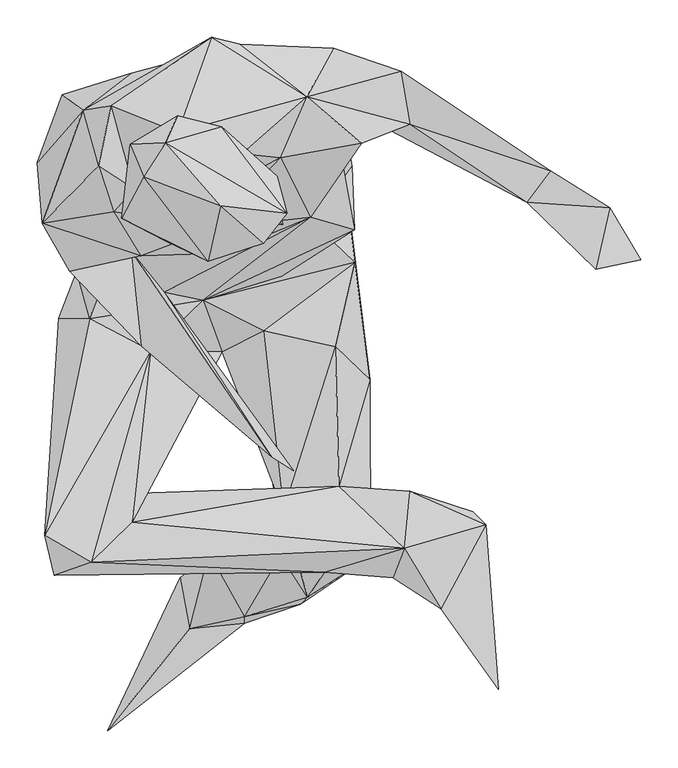
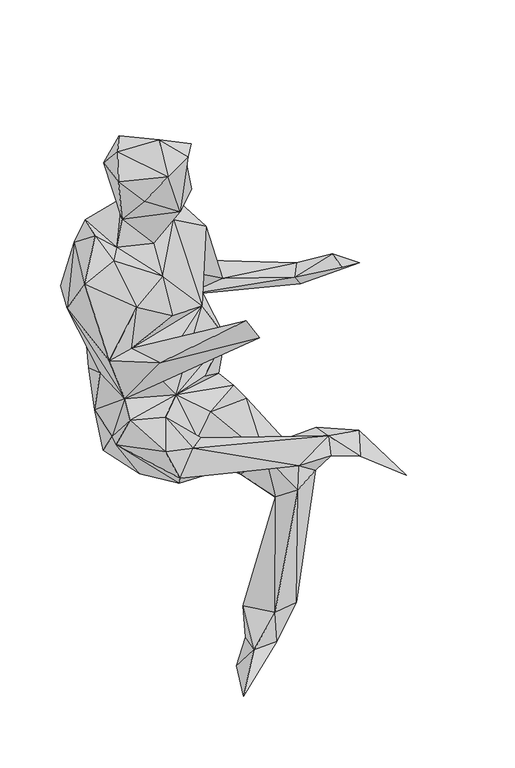
"""IFC4 building model written with IfcOpenShell, lengths in millimetres: geographic element geometry."""

from ifc_helpers import new_model, si_unit, origin, place, context, project, spatial, faceted_brep, source, transform, mapped, element, save


def geographic_element_00dcf8ce(model_context):
    return source(origin(), model_context, "Body", "Brep", [
        faceted_brep([(107.4291007, 174.1238662, 649.8761693), (-95.8643395, 165.6161675, 702.6275906), (55.5352748, 210.579348, 1032.9413286), (-91.2642617, 171.7062422, 988.9267561), (-218.1153867, 50.85013, 900.5184062), (-150.5520474, -6.1991605, 705.0902756), (-184.045536, 142.337544, 905.5207856), (-106.4994844, 131.2310828, 622.3106903), (-156.1107765, 121.2103501, 1048.2176413), (-174.1929182, -95.4900894, 804.7771354), (-116.9605017, -78.0243715, 653.4846344), (-210.9365735, -30.8186836, 1024.582731), (-141.7871696, 38.0755546, 556.0952356), (23.1135131, 115.4284761, 493.9715205), (-154.0744137, -29.4927951, 471.2623002), (-165.0497744, -96.1125109, 559.9878361), (26.3516862, -134.5923377, 477.0191551), (199.7280543, -1.7111485, 462.276304), (192.1799755, 68.3798931, 550.1312545), (-125.3791585, -172.0664927, 472.6172031), (-147.2788584, -159.1588239, 642.7684347), (-189.2690337, -158.5544179, 579.0606666), (-82.9586823, -393.9544212, 626.0481995), (-173.9017197, -462.9507306, 634.5178406), (-207.9595749, -451.0227088, 739.9876622), (-194.8497867, -504.8298177, 683.0194508), (113.9524788, -417.7083619, 591.1017583), (168.9954379, -500.450903, 593.4232996), (-145.5336791, -487.4311625, 752.6251581), (-65.2968279, -202.4638926, 650.5796233), (276.9979204, -468.5064496, 632.9078), (-89.7992689, -433.5640019, 733.3462148), (230.9900345, -480.1112652, 544.9657373), (261.7236641, -507.9408821, 597.6831243), (146.4502942, -534.4927245, 545.2609591), (326.3450225, -549.9801568, 598.3505771), (267.2693696, -429.0379531, 565.9928848), (369.2358389, -419.4165118, 534.7799593), (284.4038869, -391.5187668, 611.4563866), (189.059881, -384.8523152, 601.3686583), (403.8540671, -658.5690298, 576.2597847), (387.1868801, -436.7621487, 593.1121038), (184.0655334, -196.9531899, 620.4924507), (230.8899732, -241.4530635, 535.5284148), (31.0248226, -203.7977849, 550.7897071), (93.9750734, -322.9107519, 484.7303271), (5.9419884, -134.3771948, 656.3104906), (86.9483564, -175.3196844, 598.6137912), (181.4688124, -254.1395692, 436.0366708), (110.3820862, -478.294009, 501.9299326), (146.8275469, -416.5065535, 447.4563245), (210.3311692, -83.1378018, 584.3431877), (204.8815016, -443.7108283, 440.3165524), (181.5088369, -55.2460768, 615.804307), (136.8518455, -543.4297256, 192.7713877), (61.7664598, -560.4611566, 197.2674107), (62.2948102, -501.4395652, 67.1190462), (61.6403736, -569.333129, 108.8260473), (13.4970581, -474.1692782, 183.4981568), (-12.264232, -576.8741894, 113.2219941), (21.7906253, -472.1108915, 77.6831424), (-25.1939089, -508.2601246, 24.3993771), (-123.1986865, -714.258364, 84.9920426), (50.4748778, -498.3885227, 0.597401), (209.759799, -39.0682216, 714.4284756), (150.3649186, -22.6021686, 824.6765035), (111.3397316, -102.2976624, 658.9232602), (-46.6673219, -123.2417136, 730.5403261), (206.3905273, 46.2200189, 699.1993102), (190.6249351, 129.7260656, 753.2365825), (163.9360318, -14.1985303, 743.4959916), (181.1785974, 205.2147363, 958.9295865), (253.3740668, 175.934089, 723.107329), (145.9029299, 139.5266486, 1087.0755777), (272.312757, 174.1849013, 807.7161212), (16.8342979, 219.9856612, 1044.8272099), (-117.9331601, 127.5205894, 1103.5827262), (-28.4310818, 91.9086847, 1162.4291992), (-135.0986792, 46.4641856, 1106.9760186), (-87.5637669, 15.4913979, 1072.8611814), (-114.9321408, -15.4743873, 1056.5961469), (-78.4656619, -74.7591769, 930.3354506), (21.9567378, -36.978818, 972.1274852), (23.9370667, 13.2098671, 1046.8256344), (-66.4836235, 24.1051798, 1149.9267674), (109.8707454, 57.2464236, 1066.0755503), (32.6289009, -71.168772, 861.8434561), (-90.6248305, -68.9963094, 800.0979921), (186.0248572, 91.2802655, 850.1145735), (219.088045, 77.2608584, 994.2532655), (97.8837001, -344.9805336, 989.2099377), (-77.5080165, -196.5959495, 826.5317576), (127.5676324, -364.345546, 936.0682849), (58.0959909, 62.9062198, 1125.1221756), (284.500953, 102.5648477, 788.7594006), (473.9841164, 40.3881068, 810.4499478), (466.2909748, 6.7465281, 765.8319975), (442.2788565, -2.6607858, 800.6734153), (595.4806731, -79.9446543, 840.9634725), (554.2059472, -9.7065148, 841.5848509), (534.7089105, -92.8953502, 854.9538745), (-92.8923476, 75.3615787, 1309.6870022), (-28.7512966, 113.8214008, 1261.8549906), (-104.2819904, -24.0091157, 1312.45683), (-74.5250201, 32.1515795, 1363.4680341), (-44.7130086, 77.6251023, 1376.6540119), (30.5655166, 99.1905766, 1243.2764615), (80.0006976, -28.0228086, 1154.422865), (105.3947421, 32.6809358, 1299.4291622), (119.1159472, -17.2245612, 1352.0945143), (29.0775146, -7.0647415, 1390.5973263), (12.6244732, -81.5877606, 1322.921975), (87.1294801, -57.4555651, 1345.8132578), (112.4274568, -32.5048189, 1217.1279042), (101.2569653, -19.9563948, 1309.375866), (-44.1026012, -55.052954, 1248.01062)], [[[0, 1, 2]], [[2, 1, 3]], [[4, 1, 5]], [[3, 1, 6]], [[1, 4, 6]], [[7, 1, 0]], [[5, 1, 7]], [[6, 8, 3]], [[3, 8, 2]], [[6, 4, 8]], [[9, 4, 10]], [[4, 9, 11]], [[11, 8, 4]], [[4, 5, 10]], [[12, 5, 7]], [[10, 5, 12]], [[7, 13, 12]], [[0, 13, 7]], [[12, 13, 14]], [[14, 15, 12]], [[15, 10, 12]], [[14, 13, 16]], [[13, 17, 16]], [[18, 13, 0]], [[17, 13, 18]], [[14, 16, 19]], [[19, 15, 14]], [[15, 20, 10]], [[19, 21, 15]], [[20, 15, 21]], [[22, 19, 16]], [[23, 21, 19]], [[19, 22, 23]], [[24, 20, 21]], [[25, 24, 21]], [[25, 21, 23]], [[22, 26, 23]], [[25, 23, 26]], [[27, 28, 25]], [[25, 26, 27]], [[24, 25, 28]], [[20, 24, 29]], [[28, 29, 24]], [[30, 31, 28]], [[29, 28, 31]], [[28, 27, 30]], [[27, 32, 33]], [[27, 33, 30]], [[27, 34, 32]], [[34, 27, 26]], [[35, 33, 36]], [[33, 35, 30]], [[32, 36, 33]], [[37, 35, 36]], [[36, 38, 37]], [[39, 38, 36]], [[36, 32, 39]], [[40, 35, 37]], [[30, 35, 41]], [[35, 40, 41]], [[41, 37, 38]], [[40, 37, 41]], [[38, 30, 41]], [[39, 30, 38]], [[30, 39, 31]], [[22, 39, 26]], [[42, 26, 39]], [[42, 39, 43]], [[39, 22, 31]], [[43, 39, 32]], [[44, 22, 16]], [[44, 31, 22]], [[29, 31, 44]], [[44, 16, 45]], [[26, 44, 45]], [[44, 46, 29]], [[46, 44, 47]], [[44, 26, 47]], [[48, 16, 17]], [[48, 45, 16]], [[49, 45, 50]], [[45, 49, 26]], [[45, 48, 50]], [[43, 48, 17]], [[50, 48, 43]], [[18, 43, 17]], [[18, 51, 43]], [[52, 50, 43]], [[43, 32, 52]], [[51, 42, 43]], [[46, 47, 51]], [[51, 18, 53]], [[46, 51, 53]], [[51, 47, 42]], [[42, 47, 26]], [[34, 26, 49]], [[34, 54, 32]], [[55, 34, 49]], [[34, 55, 54]], [[52, 32, 54]], [[54, 56, 52]], [[56, 54, 57]], [[57, 54, 55]], [[58, 55, 49]], [[55, 59, 57]], [[59, 55, 58]], [[58, 49, 50]], [[58, 50, 60]], [[60, 59, 58]], [[59, 61, 62]], [[62, 57, 59]], [[59, 60, 61]], [[57, 62, 63]], [[56, 57, 63]], [[62, 61, 63]], [[61, 60, 63]], [[56, 60, 52]], [[56, 63, 60]], [[60, 50, 52]], [[46, 64, 65]], [[20, 29, 46]], [[46, 53, 66]], [[10, 46, 67]], [[46, 65, 67]], [[10, 20, 46]], [[46, 66, 64]], [[53, 64, 66]], [[18, 68, 53]], [[53, 68, 64]], [[68, 18, 69]], [[68, 70, 64]], [[68, 69, 70]], [[69, 18, 0]], [[69, 0, 71]], [[2, 71, 0]], [[71, 72, 69]], [[73, 71, 2]], [[74, 71, 73]], [[74, 72, 71]], [[8, 75, 2]], [[75, 73, 2]], [[76, 77, 75]], [[77, 73, 75]], [[8, 76, 75]], [[78, 76, 8]], [[78, 8, 11]], [[79, 77, 76]], [[76, 78, 79]], [[78, 11, 80]], [[79, 78, 80]], [[11, 9, 81]], [[11, 81, 80]], [[81, 82, 80]], [[79, 80, 82]], [[79, 83, 84]], [[82, 83, 79]], [[84, 77, 79]], [[65, 85, 82]], [[85, 83, 82]], [[81, 86, 82]], [[65, 82, 86]], [[86, 81, 87]], [[81, 9, 87]], [[87, 65, 86]], [[67, 65, 87]], [[64, 88, 65]], [[89, 65, 88]], [[65, 89, 85]], [[87, 90, 67]], [[90, 87, 91]], [[9, 91, 87]], [[10, 67, 92]], [[92, 67, 90]], [[92, 90, 91]], [[91, 10, 92]], [[9, 10, 91]], [[85, 89, 73]], [[93, 85, 73]], [[83, 85, 93]], [[74, 73, 94]], [[94, 73, 89]], [[77, 93, 73]], [[74, 94, 95]], [[74, 95, 72]], [[96, 72, 95]], [[94, 97, 95]], [[98, 96, 95]], [[98, 95, 99]], [[99, 95, 97]], [[69, 72, 96]], [[96, 97, 69]], [[98, 97, 96]], [[69, 97, 94]], [[97, 100, 99]], [[98, 100, 97]], [[100, 98, 99]], [[94, 88, 69]], [[88, 70, 69]], [[64, 70, 88]], [[89, 88, 94]], [[77, 84, 101]], [[102, 93, 77]], [[77, 101, 102]], [[103, 101, 84]], [[103, 104, 101]], [[101, 104, 105]], [[102, 101, 105]], [[93, 102, 106]], [[102, 105, 106]], [[107, 83, 93]], [[108, 93, 106]], [[108, 107, 93]], [[109, 108, 106]], [[109, 106, 105]], [[105, 110, 109]], [[104, 110, 105]], [[104, 111, 110]], [[104, 103, 111]], [[110, 112, 109]], [[110, 111, 112]], [[109, 112, 108]], [[108, 113, 107]], [[108, 112, 114]], [[108, 114, 113]], [[111, 107, 112]], [[107, 114, 112]], [[115, 107, 111]], [[115, 111, 103]], [[84, 107, 115]], [[103, 84, 115]], [[107, 84, 83]], [[107, 113, 114]]]),
    ])


if __name__ == "__main__":
    model = new_model("IFC4")
    model_context = context("Model", 3, world=origin())
    ifc_project = project(units=[si_unit("LENGTHUNIT", "METRE", prefix="MILLI")], contexts=[model_context])
    site = spatial("IfcSite", under=ifc_project)
    building = spatial("IfcBuilding", under=site)
    placement = place(None, origin())
    geographic_element_shape = geographic_element_00dcf8ce(model_context)
    element("IfcGeographicElement", 1, at=placement, inside=building, context=model_context, shape_type="MappedRepresentation", body=[
        mapped(geographic_element_shape, transform((0.0, 0.0, 0.0), x_axis=(1.0, 0.0, 0.0), y_axis=(0.0, 1.0, 0.0), z_axis=(0.0, 0.0, 1.0))),
    ])
    save(model, "model.ifc")
